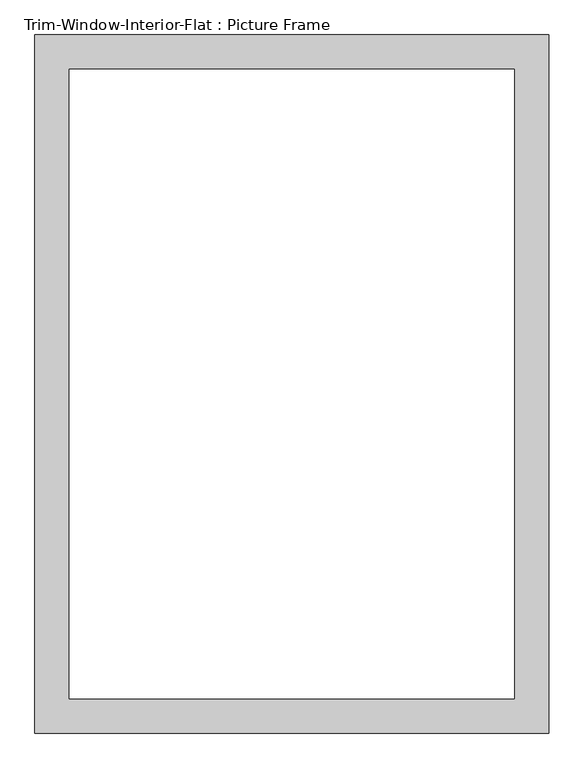
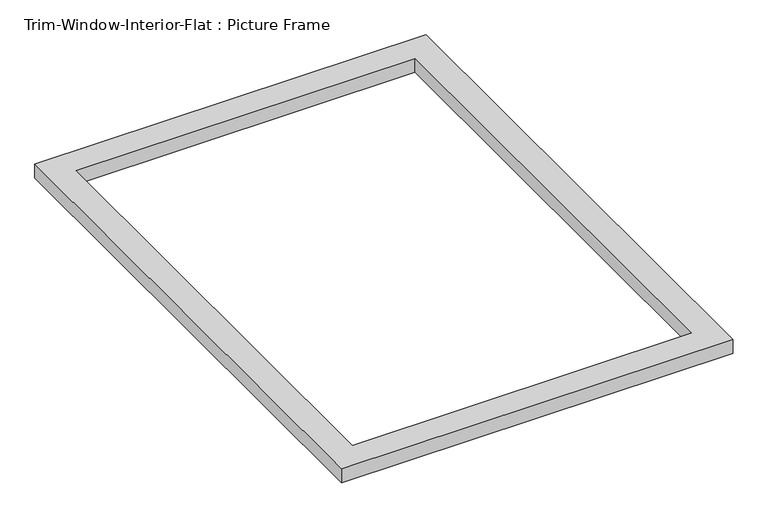
"""IFC4 building model written with IfcOpenShell, lengths in millimetres: proxy geometry, Trim-Window-Interior-Flat : Picture Frame."""

from ifc_helpers import new_model, si_unit, origin, origin_with_axes, place, context, project, spatial, polyline, outline, extrude, source, transform, mapped, element, save


def trim_window_interior_flat_picture_frame_4f812772(model_context):
    return source(origin(), model_context, "Body", "SweptSolid", [
        extrude(outline(polyline([(425.45, 44.45), (425.45, -1111.25), (-425.45, -1111.25), (-425.45, 44.45), (425.45, 44.45)]), holes=[polyline([(368.3, -12.7), (-368.3, -12.7), (-368.3, -1054.1), (368.3, -1054.1), (368.3, -12.7)])]), origin_with_axes(), (0.0, 0.0, 1.0), 31.75),
    ])


if __name__ == "__main__":
    model = new_model("IFC4")
    model_context = context("Model", 3, world=origin())
    ifc_project = project(units=[si_unit("LENGTHUNIT", "METRE", prefix="MILLI")], contexts=[model_context])
    site = spatial("IfcSite", under=ifc_project)
    building = spatial("IfcBuilding", under=site)
    placement = place(None, origin())
    trim_window_interior_flat_picture_frame_shape = trim_window_interior_flat_picture_frame_4f812772(model_context)
    element("IfcBuildingElementProxy", 1, Name="Trim-Window-Interior-Flat : Picture Frame", ObjectType="Trim-Window-Interior-Flat : Picture Frame", at=placement, inside=building, context=model_context, shape_type="MappedRepresentation", body=[
        mapped(trim_window_interior_flat_picture_frame_shape, transform((0.0, 0.0, 0.0), x_axis=(1.0, 0.0, 0.0), y_axis=(0.0, 1.0, 0.0), z_axis=(0.0, 0.0, 1.0))),
    ])
    save(model, "model.ifc")
